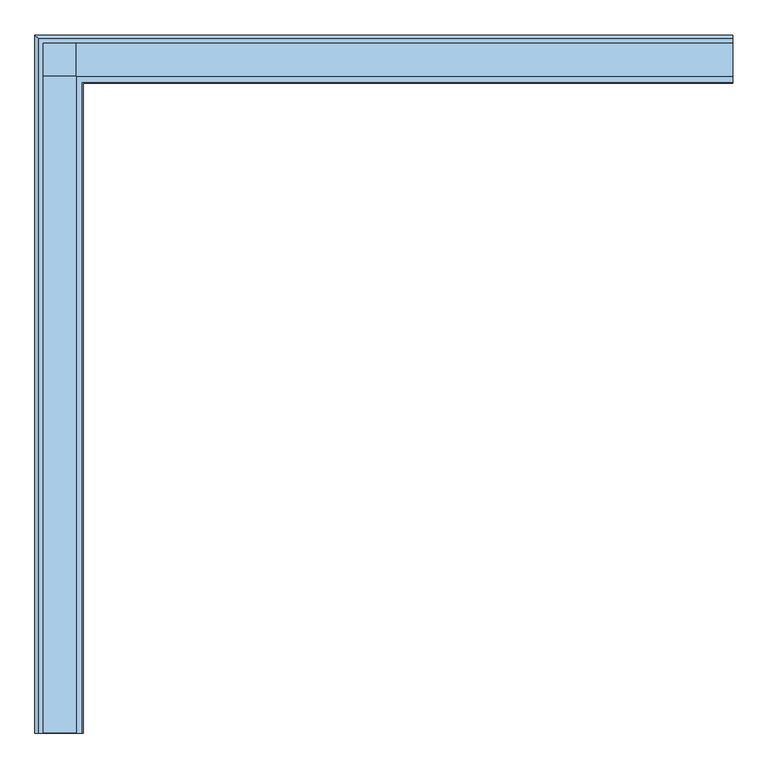
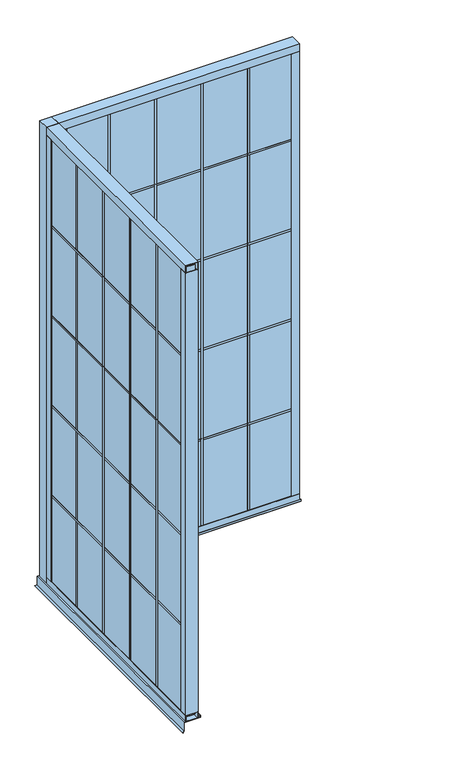
"""IFC4 building model written with IfcOpenShell, lengths in millimetres: window geometry."""

import ifcopenshell
import ifcopenshell.guid

model = None  # the IFC model being written
_history = None  # IfcOwnerHistory: only IFC2X3 demands one
_inside = {}  # id of a spatial element -> (the spatial element, [elements in it])
_under = {}  # id of a project, library or spatial element -> (it, [spatial elements below it])
_declared = {}  # id of a project -> (the project, [libraries it declares])
_typed = {}  # id of a type object -> (the type object, [elements of that type])
_made_of = {}  # id of a material, layer set ... -> (it, [elements and type objects made of it])


def new_model(schema):
    """Start an empty IFC model of exactly this schema.

    Asked for "IFC4X3", IfcOpenShell would pick the latest addendum, in which some entities
    have other attributes; the version numbers below select the first issue.
    IFC2X3 requires an IfcOwnerHistory on every rooted entity: one is made here for all.
    """
    global model, _history
    if schema == "IFC4X3":
        model = ifcopenshell.file(schema_version=(4, 3, 0, 0))
    else:
        model = ifcopenshell.file(schema=schema)
    _inside.clear()
    _under.clear()
    _declared.clear()
    _typed.clear()
    _made_of.clear()
    _history = None
    if model.schema == "IFC2X3":
        org = make("IfcOrganization", Name="unknown")
        user = make(
            "IfcPersonAndOrganization",
            ThePerson=make("IfcPerson", FamilyName="unknown"),
            TheOrganization=org,
        )
        app = make(
            "IfcApplication",
            ApplicationDeveloper=org,
            Version="unknown",
            ApplicationFullName="unknown",
            ApplicationIdentifier="unknown",
        )
        _history = make(
            "IfcOwnerHistory",
            OwningUser=user,
            OwningApplication=app,
            ChangeAction="ADDED",
            CreationDate=0,
        )
    return model


def make(cls, **values):
    """One entity of the class cls with the attributes given. An attribute that is None is left unset."""
    return model.create_entity(
        cls, **{name: value for name, value in values.items() if value is not None}
    )


def rooted(cls, **values):
    """An entity with a GlobalId (a new one), such as an element, a storey or a relation."""
    return make(cls, GlobalId=ifcopenshell.guid.new(), OwnerHistory=_history, **values)


def si_unit(unit_type, name, prefix=None):
    """IfcSIUnit, for example si_unit("LENGTHUNIT", "METRE", prefix="MILLI")."""
    return make("IfcSIUnit", UnitType=unit_type, Prefix=prefix, Name=name)


def assignment(units):
    """IfcUnitAssignment: the units of a project."""
    return None if units is None else make("IfcUnitAssignment", Units=units)


def point(xyz):
    """IfcCartesianPoint."""
    return None if xyz is None else make("IfcCartesianPoint", Coordinates=xyz)


def direction(xyz):
    """IfcDirection."""
    return None if xyz is None else make("IfcDirection", DirectionRatios=xyz)


def frame(location, z_axis=None, x_axis=None):
    """IfcAxis2Placement3D, a coordinate frame: its origin and axes. An axis left out is left unset."""
    return make(
        "IfcAxis2Placement3D",
        Location=point(location),
        Axis=direction(z_axis),
        RefDirection=direction(x_axis),
    )


def origin():
    """The frame at (0, 0, 0) with its axes left unset."""
    return frame((0.0, 0.0, 0.0))


def origin_with_axes():
    """The frame at (0, 0, 0) with the z axis (0, 0, 1) and the x axis (1, 0, 0) written out."""
    return frame((0.0, 0.0, 0.0), z_axis=(0.0, 0.0, 1.0), x_axis=(1.0, 0.0, 0.0))


def place(relative_to, where):
    """IfcLocalPlacement: puts the frame where relative to a parent placement (None: the world)."""
    return make(
        "IfcLocalPlacement", PlacementRelTo=relative_to, RelativePlacement=where
    )


def context(
    kind, dimensions, precision=None, world=None, true_north=None, identifier=None
):
    """IfcGeometricRepresentationContext, for example the 3D "Model" context."""
    return make(
        "IfcGeometricRepresentationContext",
        ContextIdentifier=identifier,
        ContextType=kind,
        CoordinateSpaceDimension=dimensions,
        Precision=precision,
        WorldCoordinateSystem=world,
        TrueNorth=true_north,
    )


def project(units=None, contexts=None):
    """IfcProject with its units and contexts."""
    return rooted(
        "IfcProject",
        Name="project",
        RepresentationContexts=contexts,
        UnitsInContext=assignment(units),
    )


def spatial(cls, under=None, at=None, **own):
    """A site, building, storey or space (cls), placed at a placement, below another one or the project."""
    s = rooted(cls, ObjectPlacement=at, **own)
    if under is not None:
        _under.setdefault(under.id(), (under, []))[1].append(s)
    return s


def polyline(points):
    """IfcPolyline through the points."""
    return make("IfcPolyline", Points=[point(p) for p in points])


def outline(outer, holes=None, kind="AREA"):
    """IfcArbitraryClosedProfileDef: a profile drawn as a closed curve; with holes, ...WithVoids."""
    if holes is None:
        return make("IfcArbitraryClosedProfileDef", ProfileType=kind, OuterCurve=outer)
    return make(
        "IfcArbitraryProfileDefWithVoids",
        ProfileType=kind,
        OuterCurve=outer,
        InnerCurves=holes,
    )


def extrude(swept, where, along, depth):
    """IfcExtrudedAreaSolid: the profile swept, set in the frame where, extruded along a direction by depth."""
    return make(
        "IfcExtrudedAreaSolid",
        SweptArea=swept,
        Position=where,
        ExtrudedDirection=direction(along),
        Depth=depth,
    )


def faces_of(points, faces, orient=None, outer=None):
    """IfcFace entities. A face is a list of loops; a loop is a list of indices into points, from 0.

    orient and outer hold one flag for each loop. By default every Orientation is true, the
    first loop of a face is its IfcFaceOuterBound and the others are IfcFaceBound.
    """
    made = []
    for i, loops in enumerate(faces):
        bounds = []
        for j, loop in enumerate(loops):
            is_outer = j == 0 if outer is None else outer[i][j]
            bounds.append(
                make(
                    "IfcFaceOuterBound" if is_outer else "IfcFaceBound",
                    Bound=make("IfcPolyLoop", Polygon=[points[k] for k in loop]),
                    Orientation=True if orient is None else orient[i][j],
                )
            )
        made.append(make("IfcFace", Bounds=bounds))
    return made


def faceted_brep(points, faces, orient=None, outer=None, voids=None):
    """IfcFacetedBrep: a solid bounded by flat faces; with voids (closed shells), ...WithVoids."""
    shared = [point(p) for p in points]
    hull = make("IfcClosedShell", CfsFaces=faces_of(shared, faces, orient, outer))
    if voids is None:
        return make("IfcFacetedBrep", Outer=hull)
    return make(
        "IfcFacetedBrepWithVoids",
        Outer=hull,
        Voids=[
            make(cls, CfsFaces=faces_of(shared, fs, o, b)) for cls, fs, o, b in voids
        ],
    )


def shape(context_of_items, identifier, shape_type, items):
    """IfcShapeRepresentation: the items that make up one representation, for example the "Body"."""
    return make(
        "IfcShapeRepresentation",
        ContextOfItems=context_of_items,
        RepresentationIdentifier=identifier,
        RepresentationType=shape_type,
        Items=items,
    )


def source(mapping_origin, context_of_items, identifier, shape_type, items):
    """IfcRepresentationMap: a shape defined once, which mapped items show again and again."""
    return make(
        "IfcRepresentationMap",
        MappingOrigin=mapping_origin,
        MappedRepresentation=shape(context_of_items, identifier, shape_type, items),
    )


def transform(
    local_origin,
    x_axis=None,
    y_axis=None,
    z_axis=None,
    scale=None,
    scale2=None,
    scale3=None,
    uniform=True,
):
    """IfcCartesianTransformationOperator3D, or its non-uniform kind. x_axis, y_axis, z_axis: its Axis1, 2, 3."""
    if uniform:
        return make(
            "IfcCartesianTransformationOperator3D",
            Axis1=direction(x_axis),
            Axis2=direction(y_axis),
            LocalOrigin=point(local_origin),
            Scale=scale,
            Axis3=direction(z_axis),
        )
    return make(
        "IfcCartesianTransformationOperator3DnonUniform",
        Axis1=direction(x_axis),
        Axis2=direction(y_axis),
        LocalOrigin=point(local_origin),
        Scale=scale,
        Axis3=direction(z_axis),
        Scale2=scale2,
        Scale3=scale3,
    )


def mapped(mapping_source, mapping_target):
    """IfcMappedItem: shows the shape of a source again, moved by a transform."""
    return make(
        "IfcMappedItem", MappingSource=mapping_source, MappingTarget=mapping_target
    )


def made_of(thing, what):
    """Note that an element or type object is made of a material, layer set ...; save() writes the relation."""
    if what is not None:
        _made_of.setdefault(what.id(), (what, []))[1].append(thing)
    return thing


def element(
    cls,
    number,
    at=None,
    inside=None,
    cuts=None,
    type_object=None,
    material=None,
    context=None,
    identifier="Body",
    shape_type=None,
    held_by="IfcProductDefinitionShape",
    body=None,
    shapes=None,
    **own,
):
    """One element of the class cls, such as IfcWall. Its Tag is "e" and its number.

    at: its placement. inside: the storey or other place that contains it. cuts: it is an
    opening in that element (IfcRelVoidsElement). A single representation is given by context,
    identifier, shape_type and body (its items); several are given by shapes. held_by: the class
    of the entity that holds the representations. save() writes the other relations.
    """
    e = rooted(cls, Tag="e%d" % number, ObjectPlacement=at, **own)
    if body is not None:
        shapes = [shape(context, identifier, shape_type, body)]
    if shapes is not None:
        e.Representation = make(held_by, Representations=shapes)
    if inside is not None:
        _inside.setdefault(inside.id(), (inside, []))[1].append(e)
    if cuts is not None:
        rooted(
            "IfcRelVoidsElement", RelatingBuildingElement=cuts, RelatedOpeningElement=e
        )
    if type_object is not None:
        _typed.setdefault(type_object.id(), (type_object, []))[1].append(e)
    return made_of(e, material)


def aggregate(whole, parts):
    """IfcRelAggregates: a whole, such as a stair, and the parts it consists of."""
    return rooted("IfcRelAggregates", RelatingObject=whole, RelatedObjects=parts)


def save(model, path):
    """Write the relations noted so far, then the file.

    IfcRelAggregates (storeys below a building ...), IfcRelContainedInSpatialStructure (elements
    in a storey), IfcRelDefinesByType, IfcRelAssociatesMaterial and IfcRelDeclares: one each for
    every whole, place, type object, material and project.
    """
    for whole, parts in _under.values():
        aggregate(whole, parts)
    for where, things in _inside.values():
        rooted(
            "IfcRelContainedInSpatialStructure",
            RelatedElements=things,
            RelatingStructure=where,
        )
    for kind, things in _typed.values():
        rooted("IfcRelDefinesByType", RelatedObjects=things, RelatingType=kind)
    for what, things in _made_of.values():
        rooted("IfcRelAssociatesMaterial", RelatedObjects=things, RelatingMaterial=what)
    for by, libraries in _declared.values():
        rooted("IfcRelDeclares", RelatingContext=by, RelatedDefinitions=libraries)
    model.write(path)


def window_6e681ef0(model_context):
    return source(origin(), model_context, "Body", "SolidModel", [
        extrude(outline(polyline([(-3.175, -1205.23), (-3.175, -1217.93), (-73.025, -1217.93), (-73.025, -1205.23), (-3.175, -1205.23)])), frame((0.0, 0.0, 15.875), z_axis=(0.0, 0.0, 1.0), x_axis=(1.0, 0.0, 0.0)), (0.0, 0.0, 1.0), 3003.55),
        extrude(outline(polyline([(-3.175, -911.86), (-3.175, -924.56), (-73.025, -924.56), (-73.025, -911.86), (-3.175, -911.86)])), frame((0.0, 0.0, 15.875), z_axis=(0.0, 0.0, 1.0), x_axis=(1.0, 0.0, 0.0)), (0.0, 0.0, 1.0), 3003.55),
        extrude(outline(polyline([(-3.175, -618.49), (-3.175, -631.19), (-73.025, -631.19), (-73.025, -618.49), (-3.175, -618.49)])), frame((0.0, 0.0, 15.875), z_axis=(0.0, 0.0, 1.0), x_axis=(1.0, 0.0, 0.0)), (0.0, 0.0, 1.0), 3003.55),
        extrude(outline(polyline([(-3.175, -1504.95), (-73.025, -1504.95), (-73.025, -38.89375), (-3.175, -38.89375), (-3.175, -1504.95)])), frame((0.0, 0.0, 2412.365), z_axis=(0.0, 0.0, 1.0), x_axis=(1.0, 0.0, 0.0)), (0.0, 0.0, 1.0), 12.7),
        extrude(outline(polyline([(-3.175, -1504.95), (-73.025, -1504.95), (-73.025, -38.89375), (-3.175, -38.89375), (-3.175, -1504.95)])), frame((0.0, 0.0, 1811.655), z_axis=(0.0, 0.0, 1.0), x_axis=(1.0, 0.0, 0.0)), (0.0, 0.0, 1.0), 12.7),
        extrude(outline(polyline([(-3.175, -1504.95), (-73.025, -1504.95), (-73.025, -38.89375), (-3.175, -38.89375), (-3.175, -1504.95)])), frame((0.0, 0.0, 1210.945), z_axis=(0.0, 0.0, 1.0), x_axis=(1.0, 0.0, 0.0)), (0.0, 0.0, 1.0), 12.7),
        extrude(outline(polyline([(-3.175, -1504.95), (-73.025, -1504.95), (-73.025, -38.89375), (-3.175, -38.89375), (-3.175, -1504.95)])), frame((0.0, 0.0, 610.235), z_axis=(0.0, 0.0, 1.0), x_axis=(1.0, 0.0, 0.0)), (0.0, 0.0, 1.0), 12.7),
        extrude(outline(polyline([(-3.175, -1504.95), (-73.025, -1504.95), (-73.025, -38.89375), (-3.175, -38.89375), (-3.175, -1504.95)])), frame((0.0, 0.0, 3013.075), z_axis=(0.0, 0.0, 1.0), x_axis=(1.0, 0.0, 0.0)), (0.0, 0.0, 1.0), 12.7),
        extrude(outline(polyline([(-3.175, -1504.95), (-73.025, -1504.95), (-73.025, -38.89375), (-3.175, -38.89375), (-3.175, -1504.95)])), frame((0.0, 0.0, 9.525), z_axis=(0.0, 0.0, 1.0), x_axis=(1.0, 0.0, 0.0)), (0.0, 0.0, 1.0), 12.7),
        extrude(outline(polyline([(-3.175, -325.12), (-3.175, -337.82), (-73.025, -337.82), (-73.025, -325.12), (-3.175, -325.12)])), frame((0.0, 0.0, 15.875), z_axis=(0.0, 0.0, 1.0), x_axis=(1.0, 0.0, 0.0)), (0.0, 0.0, 1.0), 3003.55),
        extrude(outline(polyline([(-3.175, -1498.6), (-3.175, -1511.3), (-73.025, -1511.3), (-73.025, -1498.6), (-3.175, -1498.6)])), frame((0.0, 0.0, 15.875), z_axis=(0.0, 0.0, 1.0), x_axis=(1.0, 0.0, 0.0)), (0.0, 0.0, 1.0), 3003.55),
        extrude(outline(polyline([(-73.025, -1504.95), (-73.025, -38.1), (-3.175, -38.1), (-3.175, -1504.95), (-73.025, -1504.95)])), frame((0.0, 0.0, 15.875), z_axis=(0.0, 0.0, 1.0), x_axis=(1.0, 0.0, 0.0)), (0.0, 0.0, 1.0), 3003.55),
        extrude(outline(polyline([(-3.175, -31.75), (-3.175, -44.45), (-73.025, -44.45), (-73.025, -31.75), (-3.175, -31.75)])), frame((0.0, 0.0, 15.875), z_axis=(0.0, 0.0, 1.0), x_axis=(1.0, 0.0, 0.0)), (0.0, 0.0, 1.0), 3003.55),
        extrude(outline(polyline([(3048.0, 0.0), (3048.0, -76.2), (2997.2, -76.2), (2997.2, -73.025), (3044.825, -73.025), (3044.825, -3.175), (2997.2, -3.175), (2997.2, 0.0), (3048.0, 0.0)])), frame((0.0, -1533.525, 0.0), z_axis=(0.0, 1.0, 0.0), x_axis=(0.0, 0.0, 1.0)), (0.0, 0.0, 1.0), 1524.0),
        extrude(outline(polyline([(-76.2, -1533.525), (-76.2, -1482.725), (-73.025, -1482.725), (-73.025, -1530.35), (-3.175, -1530.35), (-3.175, -1482.725), (0.0, -1482.725), (0.0, -1533.525), (-76.2, -1533.525)])), frame((0.0, 0.0, 41.275), z_axis=(0.0, 0.0, 1.0), x_axis=(1.0, 0.0, 0.0)), (0.0, 0.0, 1.0), 2955.925),
        extrude(outline(polyline([(-76.2, -9.525), (0.0, -9.525), (0.0, -60.325), (-3.175, -60.325), (-3.175, -12.7), (-73.025, -12.7), (-73.025, -60.325), (-76.2, -60.325), (-76.2, -9.525)])), frame((0.0, 0.0, 41.275), z_axis=(0.0, 0.0, 1.0), x_axis=(1.0, 0.0, 0.0)), (0.0, 0.0, 1.0), 2955.925),
        extrude(outline(polyline([(0.0, 0.0), (41.275, 0.0), (41.275, -3.175), (3.175, -3.175), (3.175, -73.025), (41.275, -73.025), (41.275, -76.2), (0.0, -76.2), (0.0, 0.0)])), frame((0.0, -1533.525, 0.0), z_axis=(0.0, 1.0, 0.0), x_axis=(0.0, 0.0, 1.0)), (0.0, 0.0, 1.0), 1524.0),
        extrude(outline(polyline([(328.295, -6.35), (315.595, -6.35), (315.595, 63.5), (328.295, 63.5), (328.295, -6.35)])), frame((0.0, 0.0, 15.875), z_axis=(0.0, 0.0, 1.0), x_axis=(1.0, 0.0, 0.0)), (0.0, 0.0, 1.0), 3003.55),
        extrude(outline(polyline([(621.665, -6.35), (608.965, -6.35), (608.965, 63.5), (621.665, 63.5), (621.665, -6.35)])), frame((0.0, 0.0, 15.875), z_axis=(0.0, 0.0, 1.0), x_axis=(1.0, 0.0, 0.0)), (0.0, 0.0, 1.0), 3003.55),
        extrude(outline(polyline([(915.035, -6.35), (902.335, -6.35), (902.335, 63.5), (915.035, 63.5), (915.035, -6.35)])), frame((0.0, 0.0, 15.875), z_axis=(0.0, 0.0, 1.0), x_axis=(1.0, 0.0, 0.0)), (0.0, 0.0, 1.0), 3003.55),
        extrude(outline(polyline([(28.575, -6.35), (28.575, 63.5), (1494.63125, 63.5), (1494.63125, -6.35), (28.575, -6.35)])), frame((0.0, 0.0, 2412.365), z_axis=(0.0, 0.0, 1.0), x_axis=(1.0, 0.0, 0.0)), (0.0, 0.0, 1.0), 12.7),
        extrude(outline(polyline([(28.575, -6.35), (28.575, 63.5), (1494.63125, 63.5), (1494.63125, -6.35), (28.575, -6.35)])), frame((0.0, 0.0, 1811.655), z_axis=(0.0, 0.0, 1.0), x_axis=(1.0, 0.0, 0.0)), (0.0, 0.0, 1.0), 12.7),
        extrude(outline(polyline([(28.575, -6.35), (28.575, 63.5), (1494.63125, 63.5), (1494.63125, -6.35), (28.575, -6.35)])), frame((0.0, 0.0, 1210.945), z_axis=(0.0, 0.0, 1.0), x_axis=(1.0, 0.0, 0.0)), (0.0, 0.0, 1.0), 12.7),
        extrude(outline(polyline([(28.575, -6.35), (28.575, 63.5), (1494.63125, 63.5), (1494.63125, -6.35), (28.575, -6.35)])), frame((0.0, 0.0, 610.235), z_axis=(0.0, 0.0, 1.0), x_axis=(1.0, 0.0, 0.0)), (0.0, 0.0, 1.0), 12.7),
        extrude(outline(polyline([(28.575, -6.35), (28.575, 63.5), (1494.63125, 63.5), (1494.63125, -6.35), (28.575, -6.35)])), frame((0.0, 0.0, 3013.075), z_axis=(0.0, 0.0, 1.0), x_axis=(1.0, 0.0, 0.0)), (0.0, 0.0, 1.0), 12.7),
        extrude(outline(polyline([(28.575, -6.35), (28.575, 63.5), (1494.63125, 63.5), (1494.63125, -6.35), (28.575, -6.35)])), frame((0.0, 0.0, 9.525), z_axis=(0.0, 0.0, 1.0), x_axis=(1.0, 0.0, 0.0)), (0.0, 0.0, 1.0), 12.7),
        extrude(outline(polyline([(1208.405, -6.35), (1195.705, -6.35), (1195.705, 63.5), (1208.405, 63.5), (1208.405, -6.35)])), frame((0.0, 0.0, 15.875), z_axis=(0.0, 0.0, 1.0), x_axis=(1.0, 0.0, 0.0)), (0.0, 0.0, 1.0), 3003.55),
        extrude(outline(polyline([(34.925, -6.35), (22.225, -6.35), (22.225, 63.5), (34.925, 63.5), (34.925, -6.35)])), frame((0.0, 0.0, 15.875), z_axis=(0.0, 0.0, 1.0), x_axis=(1.0, 0.0, 0.0)), (0.0, 0.0, 1.0), 3003.55),
        extrude(outline(polyline([(28.575, 63.5), (1495.425, 63.5), (1495.425, -6.35), (28.575, -6.35), (28.575, 63.5)])), frame((0.0, 0.0, 15.875), z_axis=(0.0, 0.0, 1.0), x_axis=(1.0, 0.0, 0.0)), (0.0, 0.0, 1.0), 3003.55),
        extrude(outline(polyline([(1501.775, -6.35), (1489.075, -6.35), (1489.075, 63.5), (1501.775, 63.5), (1501.775, -6.35)])), frame((0.0, 0.0, 15.875), z_axis=(0.0, 0.0, 1.0), x_axis=(1.0, 0.0, 0.0)), (0.0, 0.0, 1.0), 3003.55),
        extrude(outline(polyline([(-9.525, 3048.0), (66.675, 3048.0), (66.675, 2997.2), (63.5, 2997.2), (63.5, 3044.825), (-6.35, 3044.825), (-6.35, 2997.2), (-9.525, 2997.2), (-9.525, 3048.0)])), frame((0.0, 0.0, 0.0), z_axis=(1.0, 0.0, 0.0), x_axis=(0.0, 1.0, 0.0)), (0.0, 0.0, 1.0), 1524.0),
        extrude(outline(polyline([(0.0, 66.675), (50.8, 66.675), (50.8, 63.5), (3.175, 63.5), (3.175, -6.35), (50.8, -6.35), (50.8, -9.525), (0.0, -9.525), (0.0, 66.675)])), frame((0.0, 0.0, 41.275), z_axis=(0.0, 0.0, 1.0), x_axis=(1.0, 0.0, 0.0)), (0.0, 0.0, 1.0), 2955.925),
        extrude(outline(polyline([(1524.0, 66.675), (1524.0, -9.525), (1473.2, -9.525), (1473.2, -6.35), (1520.825, -6.35), (1520.825, 63.5), (1473.2, 63.5), (1473.2, 66.675), (1524.0, 66.675)])), frame((0.0, 0.0, 41.275), z_axis=(0.0, 0.0, 1.0), x_axis=(1.0, 0.0, 0.0)), (0.0, 0.0, 1.0), 2955.925),
        extrude(outline(polyline([(-9.525, 0.0), (-9.525, 41.275), (-6.35, 41.275), (-6.35, 3.175), (63.5, 3.175), (63.5, 41.275), (66.675, 41.275), (66.675, 0.0), (-9.525, 0.0)])), frame((0.0, 0.0, 0.0), z_axis=(1.0, 0.0, 0.0), x_axis=(0.0, 1.0, 0.0)), (0.0, 0.0, 1.0), 1524.0),
        faceted_brep([(1524.0, 86.3027881, -67.139968), (1524.0, 77.7875, -58.6246798), (1524.0, 77.7875, 0.0), (1524.0, -23.8125, 0.0), (1524.0, -23.8125, 11.1125), (1524.0, -25.4, 11.1125), (1524.0, -25.4, -1.5875), (1524.0, 76.2, -1.5875), (1524.0, 76.2, -59.2822439), (1524.0, 85.1802561, -68.2625), (-95.8277881, 86.3027881, -67.139968), (-87.3125, 77.7875, -58.6246798), (-87.3125, 77.7875, 0.0), (-87.3125, -1533.525, 0.0), (14.2875, -1533.525, 0.0), (14.2875, -23.8125, 0.0), (14.2875, -23.8125, 11.1125), (14.2875, -1533.525, 11.1125), (15.875, -1533.525, 11.1125), (15.875, -25.4, 11.1125), (15.875, -25.4, -1.5875), (15.875, -1533.525, -1.5875), (-85.725, -1533.525, -1.5875), (-85.725, 76.2, -1.5875), (-85.725, 76.2, -59.2822439), (-94.7052561, 85.1802561, -68.2625), (-95.8277881, -1533.525, -67.139968), (-94.7052561, -1533.525, -68.2625), (-85.725, -1533.525, -59.2822439), (-87.3125, -1533.525, -58.6246798)], [[[0, 1, 2, 3, 4, 5, 6, 7, 8, 9]], [[1, 0, 10, 11]], [[2, 1, 11, 12]], [[3, 2, 12, 13, 14, 15]], [[4, 3, 15, 16]], [[5, 4, 16, 17, 18, 19]], [[6, 5, 19, 20]], [[7, 6, 20, 21, 22, 23]], [[8, 7, 23, 24]], [[9, 8, 24, 25]], [[0, 9, 25, 10]], [[26, 27, 28, 22, 21, 18, 17, 14, 13, 29]], [[11, 10, 26, 29]], [[12, 11, 29, 13]], [[16, 15, 14, 17]], [[20, 19, 18, 21]], [[24, 23, 22, 28]], [[25, 24, 28, 27]], [[10, 25, 27, 26]]]),
        extrude(outline(polyline([(-76.2, -9.525), (-76.2, 66.675), (0.0, 66.675), (0.0, -9.525), (-76.2, -9.525)])), origin_with_axes(), (0.0, 0.0, 1.0), 3048.0),
    ])


if __name__ == "__main__":
    model = new_model("IFC4")
    model_context = context("Model", 3, world=origin())
    ifc_project = project(units=[si_unit("LENGTHUNIT", "METRE", prefix="MILLI")], contexts=[model_context])
    site = spatial("IfcSite", under=ifc_project)
    building = spatial("IfcBuilding", under=site)
    placement = place(None, origin())
    window_shape = window_6e681ef0(model_context)
    element("IfcWindow", 1, at=placement, inside=building, context=model_context, shape_type="MappedRepresentation", body=[
        mapped(window_shape, transform((0.0, 0.0, 0.0), x_axis=(1.0, 0.0, 0.0), y_axis=(0.0, 1.0, 0.0), z_axis=(0.0, 0.0, 1.0))),
    ])
    save(model, "model.ifc")
